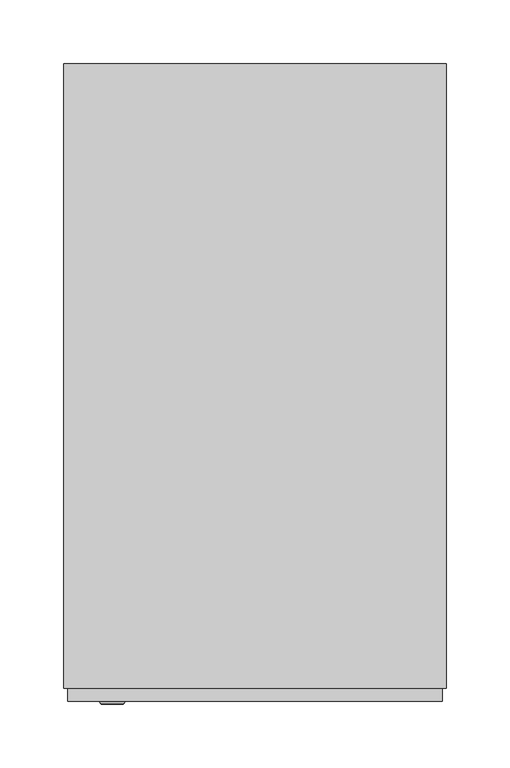
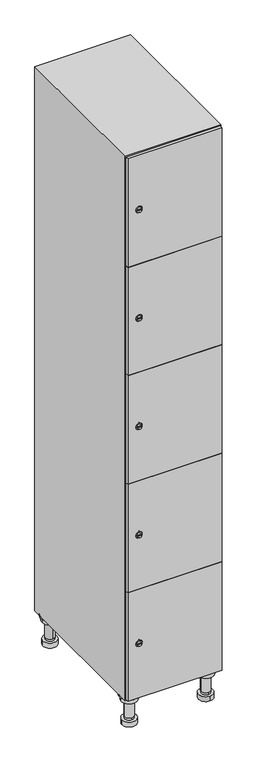
"""IFC4 building model written with IfcOpenShell, lengths in millimetres: furniture geometry."""

from ifc_helpers import new_model, si_unit, point, frame, frame_2d, origin, place, context, project, spatial, polyline, circle_curve, trimmed, segment, composite_curve, outline, extrude, faceted_brep, source, transform, mapped, element, save
from ifc_brep_helpers import plane_surface, cylinder_surface, revolved_surface, advanced_brep


def furniture_307cb127(model_context):
    return source(origin(), model_context, "Body", "SolidModel", [
        advanced_brep(
        [(70.0, -201.0, 22.0), (70.0, -201.5, 16.0), (70.0, -228.5, 16.0), (70.0, -229.0, 22.0), (56.0, -215.0, 22.0), (84.0, -215.0, 22.0), (70.0, -192.5, 16.0), (70.0, -237.5, 16.0), (70.0, -192.5, 0.0), (70.0, -237.5, 0.0), (84.0, -215.0, 78.0), (56.0, -215.0, 78.0), (95.0, -215.0, 78.0), (45.0, -215.0, 78.0), (100.0, -215.0, 94.0), (40.0, -215.0, 94.0), (45.0, -215.0, 94.0), (95.0, -215.0, 94.0), (100.0, -215.0, 100.0), (40.0, -215.0, 100.0)],
        [
            (0, 1),
            (1, 2, circle_curve(frame((70.0, -215.0, 16.0), z_axis=(0.0, 0.0, 1.0), x_axis=(0.0, -1.0, 0.0)), 13.5)),
            (2, 3),
            (3, 4, circle_curve(frame((70.0, -215.0, 22.0), z_axis=(0.0, 0.0, -1.0), x_axis=(0.0, -1.0, 0.0)), 14.0)),
            (4, 0, circle_curve(frame((70.0, -215.0, 22.0), z_axis=(0.0, 0.0, -1.0), x_axis=(0.0, -1.0, 0.0)), 14.0)),
            (0, 5, circle_curve(frame((70.0, -215.0, 22.0), z_axis=(0.0, 0.0, -1.0), x_axis=(0.0, 1.0, 0.0)), 14.0)),
            (5, 3, circle_curve(frame((70.0, -215.0, 22.0), z_axis=(0.0, 0.0, -1.0), x_axis=(0.0, 1.0, 0.0)), 14.0)),
            (2, 1, circle_curve(frame((70.0, -215.0, 16.0), z_axis=(0.0, 0.0, 1.0), x_axis=(0.0, 1.0, 0.0)), 13.5)),
            (6, 7, circle_curve(frame((70.0, -215.0, 16.0), z_axis=(0.0, 0.0, 1.0), x_axis=(0.0, -1.0, 0.0)), 22.5)),
            (7, 6, circle_curve(frame((70.0, -215.0, 16.0), z_axis=(0.0, 0.0, 1.0), x_axis=(0.0, -1.0, 0.0)), 22.5)),
            (8, 9, circle_curve(frame((70.0, -215.0, 0.0), z_axis=(0.0, 0.0, -1.0), x_axis=(0.0, -1.0, 0.0)), 22.5)),
            (9, 8, circle_curve(frame((70.0, -215.0, 0.0), z_axis=(0.0, 0.0, -1.0), x_axis=(0.0, -1.0, 0.0)), 22.5)),
            (6, 8),
            (9, 7),
            (5, 10),
            (10, 11, circle_curve(frame((70.0, -215.0, 78.0), z_axis=(0.0, 0.0, -1.0), x_axis=(-1.0, 0.0, 0.0)), 14.0)),
            (11, 4),
            (11, 10, circle_curve(frame((70.0, -215.0, 78.0), z_axis=(0.0, 0.0, -1.0), x_axis=(-1.0, 0.0, 0.0)), 14.0)),
            (12, 13, circle_curve(frame((70.0, -215.0, 78.0), z_axis=(0.0, 0.0, -1.0), x_axis=(-1.0, 0.0, 0.0)), 25.0)),
            (13, 12, circle_curve(frame((70.0, -215.0, 78.0), z_axis=(0.0, 0.0, -1.0), x_axis=(-1.0, 0.0, 0.0)), 25.0)),
            (14, 15, circle_curve(frame((70.0, -215.0, 94.0), z_axis=(0.0, 0.0, -1.0), x_axis=(-1.0, 0.0, 0.0)), 30.0)),
            (15, 14, circle_curve(frame((70.0, -215.0, 94.0), z_axis=(0.0, 0.0, -1.0), x_axis=(-1.0, 0.0, 0.0)), 30.0)),
            (16, 17, circle_curve(frame((70.0, -215.0, 94.0), z_axis=(0.0, 0.0, 1.0), x_axis=(-1.0, 0.0, 0.0)), 25.0)),
            (17, 16, circle_curve(frame((70.0, -215.0, 94.0), z_axis=(0.0, 0.0, 1.0), x_axis=(-1.0, 0.0, 0.0)), 25.0)),
            (18, 19, circle_curve(frame((70.0, -215.0, 100.0), z_axis=(0.0, 0.0, 1.0), x_axis=(-1.0, 0.0, 0.0)), 30.0)),
            (19, 18, circle_curve(frame((70.0, -215.0, 100.0), z_axis=(0.0, 0.0, 1.0), x_axis=(-1.0, 0.0, 0.0)), 30.0)),
            (14, 18),
            (19, 15),
            (12, 17),
            (16, 13),
        ],
        [
            revolved_surface(polyline([(70.0, -201.5, 16.0), (70.0, -201.0, 22.0)]), (70.0, -215.0, -146.0), (0.0, 0.0, 1.0)),
            plane_surface(frame((70.0, 0.0, 16.0), z_axis=(0.0, 0.0, 1.0), x_axis=(0.0, -1.0, 0.0))),
            plane_surface(frame((70.0, 0.0, 0.0), z_axis=(0.0, 0.0, -1.0), x_axis=(0.0, -1.0, 0.0))),
            cylinder_surface(frame((70.0, -215.0, 16.0), z_axis=(0.0, 0.0, 1.0), x_axis=(0.0, -1.0, 0.0)), 22.5),
            cylinder_surface(frame((70.0, -215.0, 22.0), z_axis=(0.0, 0.0, -1.0), x_axis=(-1.0, 0.0, 0.0)), 14.0),
            plane_surface(frame((70.0, 0.0, 78.0), z_axis=(0.0, 0.0, -1.0), x_axis=(0.0, -1.0, 0.0))),
            plane_surface(frame((70.0, 0.0, 94.0), z_axis=(0.0, 0.0, -1.0), x_axis=(0.0, -1.0, 0.0))),
            plane_surface(frame((70.0, 0.0, 100.0), z_axis=(0.0, 0.0, 1.0), x_axis=(0.0, -1.0, 0.0))),
            cylinder_surface(frame((70.0, -215.0, 94.0), z_axis=(0.0, 0.0, -1.0), x_axis=(-1.0, 0.0, 0.0)), 30.0),
            cylinder_surface(frame((70.0, -215.0, 78.0), z_axis=(0.0, 0.0, -1.0), x_axis=(-1.0, 0.0, 0.0)), 25.0),
        ],
        [
            (0, [[1, 2, 3, 4, 5]]),
            (0, [[-1, 6, 7, -3, 8]]),
            (1, [[9, 10], [-2, -8]]),
            (2, [[11, 12]]),
            (3, [[-9, 13, -12, 14]]),
            (3, [[-10, -14, -11, -13]]),
            (4, [[15, 16, 17, -4, -7]]),
            (4, [[-15, -6, -5, -17, 18]]),
            (5, [[19, 20], [-16, -18]]),
            (6, [[21, 22], [23, 24]]),
            (7, [[25, 26]]),
            (8, [[-21, 27, -26, 28]]),
            (8, [[-22, -28, -25, -27]]),
            (9, [[-19, 29, -23, 30]]),
            (9, [[-20, -30, -24, -29]]),
        ],
    ),
        advanced_brep(
        [(-170.0, -201.0, 22.0), (-170.0, -201.5, 16.0), (-170.0, -228.5, 16.0), (-170.0, -229.0, 22.0), (-184.0, -215.0, 22.0), (-156.0, -215.0, 22.0), (-147.5, -215.0, 0.0), (-192.5, -215.0, 0.0), (-147.5, -215.0, 16.0), (-192.5, -215.0, 16.0), (-156.0, -215.0, 78.0), (-184.0, -215.0, 78.0), (-145.0, -215.0, 78.0), (-195.0, -215.0, 78.0), (-140.0, -215.0, 94.0), (-200.0, -215.0, 94.0), (-195.0, -215.0, 94.0), (-145.0, -215.0, 94.0), (-140.0, -215.0, 100.0), (-200.0, -215.0, 100.0)],
        [
            (0, 1),
            (1, 2, circle_curve(frame((-170.0, -215.0, 16.0), z_axis=(0.0, 0.0, 1.0), x_axis=(0.0, -1.0, 0.0)), 13.5)),
            (2, 3),
            (3, 4, circle_curve(frame((-170.0, -215.0, 22.0), z_axis=(0.0, 0.0, -1.0), x_axis=(0.0, -1.0, 0.0)), 14.0)),
            (4, 0, circle_curve(frame((-170.0, -215.0, 22.0), z_axis=(0.0, 0.0, -1.0), x_axis=(0.0, -1.0, 0.0)), 14.0)),
            (0, 5, circle_curve(frame((-170.0, -215.0, 22.0), z_axis=(0.0, 0.0, -1.0), x_axis=(0.0, 1.0, 0.0)), 14.0)),
            (5, 3, circle_curve(frame((-170.0, -215.0, 22.0), z_axis=(0.0, 0.0, -1.0), x_axis=(0.0, 1.0, 0.0)), 14.0)),
            (2, 1, circle_curve(frame((-170.0, -215.0, 16.0), z_axis=(0.0, 0.0, 1.0), x_axis=(0.0, 1.0, 0.0)), 13.5)),
            (6, 7, circle_curve(frame((-170.0, -215.0, 0.0), z_axis=(0.0, 0.0, -1.0), x_axis=(-1.0, 0.0, 0.0)), 22.5)),
            (7, 6, circle_curve(frame((-170.0, -215.0, 0.0), z_axis=(0.0, 0.0, -1.0), x_axis=(-1.0, 0.0, 0.0)), 22.5)),
            (8, 9, circle_curve(frame((-170.0, -215.0, 16.0), z_axis=(0.0, 0.0, 1.0), x_axis=(-1.0, 0.0, 0.0)), 22.5)),
            (9, 8, circle_curve(frame((-170.0, -215.0, 16.0), z_axis=(0.0, 0.0, 1.0), x_axis=(-1.0, 0.0, 0.0)), 22.5)),
            (6, 8),
            (9, 7),
            (5, 10),
            (10, 11, circle_curve(frame((-170.0, -215.0, 78.0), z_axis=(0.0, 0.0, -1.0), x_axis=(-1.0, 0.0, 0.0)), 14.0)),
            (11, 4),
            (11, 10, circle_curve(frame((-170.0, -215.0, 78.0), z_axis=(0.0, 0.0, -1.0), x_axis=(-1.0, 0.0, 0.0)), 14.0)),
            (12, 13, circle_curve(frame((-170.0, -215.0, 78.0), z_axis=(0.0, 0.0, -1.0), x_axis=(-1.0, 0.0, 0.0)), 25.0)),
            (13, 12, circle_curve(frame((-170.0, -215.0, 78.0), z_axis=(0.0, 0.0, -1.0), x_axis=(-1.0, 0.0, 0.0)), 25.0)),
            (14, 15, circle_curve(frame((-170.0, -215.0, 94.0), z_axis=(0.0, 0.0, -1.0), x_axis=(-1.0, 0.0, 0.0)), 30.0)),
            (15, 14, circle_curve(frame((-170.0, -215.0, 94.0), z_axis=(0.0, 0.0, -1.0), x_axis=(-1.0, 0.0, 0.0)), 30.0)),
            (16, 17, circle_curve(frame((-170.0, -215.0, 94.0), z_axis=(0.0, 0.0, 1.0), x_axis=(-1.0, 0.0, 0.0)), 25.0)),
            (17, 16, circle_curve(frame((-170.0, -215.0, 94.0), z_axis=(0.0, 0.0, 1.0), x_axis=(-1.0, 0.0, 0.0)), 25.0)),
            (18, 19, circle_curve(frame((-170.0, -215.0, 100.0), z_axis=(0.0, 0.0, 1.0), x_axis=(-1.0, 0.0, 0.0)), 30.0)),
            (19, 18, circle_curve(frame((-170.0, -215.0, 100.0), z_axis=(0.0, 0.0, 1.0), x_axis=(-1.0, 0.0, 0.0)), 30.0)),
            (14, 18),
            (19, 15),
            (12, 17),
            (16, 13),
        ],
        [
            revolved_surface(polyline([(-170.0, -201.5, 16.0), (-170.0, -201.0, 22.0)]), (-170.0, -215.0, -146.0), (0.0, 0.0, 1.0)),
            plane_surface(frame((-170.0, 0.0, 0.0), z_axis=(0.0, 0.0, -1.0), x_axis=(0.0, -1.0, 0.0))),
            plane_surface(frame((-170.0, 0.0, 16.0), z_axis=(0.0, 0.0, 1.0), x_axis=(0.0, -1.0, 0.0))),
            cylinder_surface(frame((-170.0, -215.0, 0.0), z_axis=(0.0, 0.0, -1.0), x_axis=(-1.0, 0.0, 0.0)), 22.5),
            cylinder_surface(frame((-170.0, -215.0, 22.0), z_axis=(0.0, 0.0, -1.0), x_axis=(-1.0, 0.0, 0.0)), 14.0),
            plane_surface(frame((-170.0, 0.0, 78.0), z_axis=(0.0, 0.0, -1.0), x_axis=(0.0, -1.0, 0.0))),
            plane_surface(frame((-170.0, 0.0, 94.0), z_axis=(0.0, 0.0, -1.0), x_axis=(0.0, -1.0, 0.0))),
            plane_surface(frame((-170.0, 0.0, 100.0), z_axis=(0.0, 0.0, 1.0), x_axis=(0.0, -1.0, 0.0))),
            cylinder_surface(frame((-170.0, -215.0, 94.0), z_axis=(0.0, 0.0, -1.0), x_axis=(-1.0, 0.0, 0.0)), 30.0),
            cylinder_surface(frame((-170.0, -215.0, 78.0), z_axis=(0.0, 0.0, -1.0), x_axis=(-1.0, 0.0, 0.0)), 25.0),
        ],
        [
            (0, [[1, 2, 3, 4, 5]]),
            (0, [[-1, 6, 7, -3, 8]]),
            (1, [[9, 10]]),
            (2, [[11, 12], [-2, -8]]),
            (3, [[-9, 13, -12, 14]]),
            (3, [[-10, -14, -11, -13]]),
            (4, [[15, 16, 17, -4, -7]]),
            (4, [[-15, -6, -5, -17, 18]]),
            (5, [[19, 20], [-16, -18]]),
            (6, [[21, 22], [23, 24]]),
            (7, [[25, 26]]),
            (8, [[-21, 27, -26, 28]]),
            (8, [[-22, -28, -25, -27]]),
            (9, [[-19, 29, -23, 30]]),
            (9, [[-20, -30, -24, -29]]),
        ],
    ),
        advanced_brep(
        [(83.5, 215.0, 16.0), (84.0, 215.0, 22.0), (56.0, 215.0, 22.0), (56.5, 215.0, 16.0), (92.5, 215.0, 0.0), (47.5, 215.0, 0.0), (92.5, 215.0, 16.0), (47.5, 215.0, 16.0), (84.0, 215.0, 78.0), (56.0, 215.0, 78.0), (95.0, 215.0, 78.0), (45.0, 215.0, 78.0), (100.0, 215.0, 94.0), (40.0, 215.0, 94.0), (45.0, 215.0, 94.0), (95.0, 215.0, 94.0), (100.0, 215.0, 100.0), (40.0, 215.0, 100.0)],
        [
            (0, 1),
            (1, 2, circle_curve(frame((70.0, 215.0, 22.0), z_axis=(0.0, 0.0, -1.0), x_axis=(-1.0, 0.0, 0.0)), 14.0)),
            (2, 3),
            (3, 0, circle_curve(frame((70.0, 215.0, 16.0), z_axis=(0.0, 0.0, 1.0), x_axis=(-1.0, 0.0, 0.0)), 13.5)),
            (0, 3, circle_curve(frame((70.0, 215.0, 16.0), z_axis=(0.0, 0.0, 1.0), x_axis=(1.0, 0.0, 0.0)), 13.5)),
            (2, 1, circle_curve(frame((70.0, 215.0, 22.0), z_axis=(0.0, 0.0, -1.0), x_axis=(1.0, 0.0, 0.0)), 14.0)),
            (4, 5, circle_curve(frame((70.0, 215.0, 0.0), z_axis=(0.0, 0.0, -1.0), x_axis=(-1.0, 0.0, 0.0)), 22.5)),
            (5, 4, circle_curve(frame((70.0, 215.0, 0.0), z_axis=(0.0, 0.0, -1.0), x_axis=(-1.0, 0.0, 0.0)), 22.5)),
            (6, 7, circle_curve(frame((70.0, 215.0, 16.0), z_axis=(0.0, 0.0, 1.0), x_axis=(-1.0, 0.0, 0.0)), 22.5)),
            (7, 6, circle_curve(frame((70.0, 215.0, 16.0), z_axis=(0.0, 0.0, 1.0), x_axis=(-1.0, 0.0, 0.0)), 22.5)),
            (4, 6),
            (7, 5),
            (1, 8),
            (8, 9, circle_curve(frame((70.0, 215.0, 78.0), z_axis=(0.0, 0.0, -1.0), x_axis=(-1.0, 0.0, 0.0)), 14.0)),
            (9, 2),
            (9, 8, circle_curve(frame((70.0, 215.0, 78.0), z_axis=(0.0, 0.0, -1.0), x_axis=(-1.0, 0.0, 0.0)), 14.0)),
            (10, 11, circle_curve(frame((70.0, 215.0, 78.0), z_axis=(0.0, 0.0, -1.0), x_axis=(-1.0, 0.0, 0.0)), 25.0)),
            (11, 10, circle_curve(frame((70.0, 215.0, 78.0), z_axis=(0.0, 0.0, -1.0), x_axis=(-1.0, 0.0, 0.0)), 25.0)),
            (12, 13, circle_curve(frame((70.0, 215.0, 94.0), z_axis=(0.0, 0.0, -1.0), x_axis=(-1.0, 0.0, 0.0)), 30.0)),
            (13, 12, circle_curve(frame((70.0, 215.0, 94.0), z_axis=(0.0, 0.0, -1.0), x_axis=(-1.0, 0.0, 0.0)), 30.0)),
            (14, 15, circle_curve(frame((70.0, 215.0, 94.0), z_axis=(0.0, 0.0, 1.0), x_axis=(-1.0, 0.0, 0.0)), 25.0)),
            (15, 14, circle_curve(frame((70.0, 215.0, 94.0), z_axis=(0.0, 0.0, 1.0), x_axis=(-1.0, 0.0, 0.0)), 25.0)),
            (16, 17, circle_curve(frame((70.0, 215.0, 100.0), z_axis=(0.0, 0.0, 1.0), x_axis=(-1.0, 0.0, 0.0)), 30.0)),
            (17, 16, circle_curve(frame((70.0, 215.0, 100.0), z_axis=(0.0, 0.0, 1.0), x_axis=(-1.0, 0.0, 0.0)), 30.0)),
            (12, 16),
            (17, 13),
            (10, 15),
            (14, 11),
        ],
        [
            revolved_surface(polyline([(83.5, 215.0, 16.0), (84.0, 215.0, 22.0)]), (70.0, 215.0, -146.0), (0.0, 0.0, 1.0)),
            plane_surface(frame((70.0, 0.0, 0.0), z_axis=(0.0, 0.0, -1.0), x_axis=(0.0, -1.0, 0.0))),
            plane_surface(frame((70.0, 0.0, 16.0), z_axis=(0.0, 0.0, 1.0), x_axis=(0.0, -1.0, 0.0))),
            cylinder_surface(frame((70.0, 215.0, 0.0), z_axis=(0.0, 0.0, -1.0), x_axis=(-1.0, 0.0, 0.0)), 22.5),
            cylinder_surface(frame((70.0, 215.0, 22.0), z_axis=(0.0, 0.0, -1.0), x_axis=(-1.0, 0.0, 0.0)), 14.0),
            plane_surface(frame((70.0, 0.0, 78.0), z_axis=(0.0, 0.0, -1.0), x_axis=(0.0, -1.0, 0.0))),
            plane_surface(frame((70.0, 0.0, 94.0), z_axis=(0.0, 0.0, -1.0), x_axis=(0.0, -1.0, 0.0))),
            plane_surface(frame((70.0, 0.0, 100.0), z_axis=(0.0, 0.0, 1.0), x_axis=(0.0, -1.0, 0.0))),
            cylinder_surface(frame((70.0, 215.0, 94.0), z_axis=(0.0, 0.0, -1.0), x_axis=(-1.0, 0.0, 0.0)), 30.0),
            cylinder_surface(frame((70.0, 215.0, 78.0), z_axis=(0.0, 0.0, -1.0), x_axis=(-1.0, 0.0, 0.0)), 25.0),
        ],
        [
            (0, [[1, 2, 3, 4]]),
            (0, [[-1, 5, -3, 6]]),
            (1, [[7, 8]]),
            (2, [[9, 10], [-4, -5]]),
            (3, [[-7, 11, -10, 12]]),
            (3, [[-8, -12, -9, -11]]),
            (4, [[13, 14, 15, -2]]),
            (4, [[-13, -6, -15, 16]]),
            (5, [[17, 18], [-14, -16]]),
            (6, [[19, 20], [21, 22]]),
            (7, [[23, 24]]),
            (8, [[-19, 25, -24, 26]]),
            (8, [[-20, -26, -23, -25]]),
            (9, [[-17, 27, -21, 28]]),
            (9, [[-18, -28, -22, -27]]),
        ],
    ),
        advanced_brep(
        [(-156.5, 215.0, 16.0), (-156.0, 215.0, 22.0), (-170.0, 201.0, 22.0), (-184.0, 215.0, 22.0), (-183.5, 215.0, 16.0), (-170.0, 229.0, 22.0), (-147.5, 215.0, 0.0), (-192.5, 215.0, 0.0), (-147.5, 215.0, 16.0), (-192.5, 215.0, 16.0), (-170.0, 229.0, 78.0), (-170.0, 201.0, 78.0), (-145.0, 215.0, 78.0), (-195.0, 215.0, 78.0), (-140.0, 215.0, 94.0), (-200.0, 215.0, 94.0), (-195.0, 215.0, 94.0), (-145.0, 215.0, 94.0), (-140.0, 215.0, 100.0), (-200.0, 215.0, 100.0)],
        [
            (0, 1),
            (1, 2, circle_curve(frame((-170.0, 215.0, 22.0), z_axis=(0.0, 0.0, -1.0), x_axis=(-1.0, 0.0, 0.0)), 14.0)),
            (2, 3, circle_curve(frame((-170.0, 215.0, 22.0), z_axis=(0.0, 0.0, -1.0), x_axis=(-1.0, 0.0, 0.0)), 14.0)),
            (3, 4),
            (4, 0, circle_curve(frame((-170.0, 215.0, 16.0), z_axis=(0.0, 0.0, 1.0), x_axis=(-1.0, 0.0, 0.0)), 13.5)),
            (0, 4, circle_curve(frame((-170.0, 215.0, 16.0), z_axis=(0.0, 0.0, 1.0), x_axis=(1.0, 0.0, 0.0)), 13.5)),
            (3, 5, circle_curve(frame((-170.0, 215.0, 22.0), z_axis=(0.0, 0.0, -1.0), x_axis=(1.0, 0.0, 0.0)), 14.0)),
            (5, 1, circle_curve(frame((-170.0, 215.0, 22.0), z_axis=(0.0, 0.0, -1.0), x_axis=(1.0, 0.0, 0.0)), 14.0)),
            (6, 7, circle_curve(frame((-170.0, 215.0, 0.0), z_axis=(0.0, 0.0, -1.0), x_axis=(-1.0, 0.0, 0.0)), 22.5)),
            (7, 6, circle_curve(frame((-170.0, 215.0, 0.0), z_axis=(0.0, 0.0, -1.0), x_axis=(-1.0, 0.0, 0.0)), 22.5)),
            (8, 9, circle_curve(frame((-170.0, 215.0, 16.0), z_axis=(0.0, 0.0, 1.0), x_axis=(-1.0, 0.0, 0.0)), 22.5)),
            (9, 8, circle_curve(frame((-170.0, 215.0, 16.0), z_axis=(0.0, 0.0, 1.0), x_axis=(-1.0, 0.0, 0.0)), 22.5)),
            (6, 8),
            (9, 7),
            (10, 5),
            (2, 11),
            (11, 10, circle_curve(frame((-170.0, 215.0, 78.0), z_axis=(0.0, 0.0, -1.0), x_axis=(0.0, -1.0, 0.0)), 14.0)),
            (10, 11, circle_curve(frame((-170.0, 215.0, 78.0), z_axis=(0.0, 0.0, -1.0), x_axis=(0.0, -1.0, 0.0)), 14.0)),
            (12, 13, circle_curve(frame((-170.0, 215.0, 78.0), z_axis=(0.0, 0.0, -1.0), x_axis=(-1.0, 0.0, 0.0)), 25.0)),
            (13, 12, circle_curve(frame((-170.0, 215.0, 78.0), z_axis=(0.0, 0.0, -1.0), x_axis=(-1.0, 0.0, 0.0)), 25.0)),
            (14, 15, circle_curve(frame((-170.0, 215.0, 94.0), z_axis=(0.0, 0.0, -1.0), x_axis=(-1.0, 0.0, 0.0)), 30.0)),
            (15, 14, circle_curve(frame((-170.0, 215.0, 94.0), z_axis=(0.0, 0.0, -1.0), x_axis=(-1.0, 0.0, 0.0)), 30.0)),
            (16, 17, circle_curve(frame((-170.0, 215.0, 94.0), z_axis=(0.0, 0.0, 1.0), x_axis=(-1.0, 0.0, 0.0)), 25.0)),
            (17, 16, circle_curve(frame((-170.0, 215.0, 94.0), z_axis=(0.0, 0.0, 1.0), x_axis=(-1.0, 0.0, 0.0)), 25.0)),
            (18, 19, circle_curve(frame((-170.0, 215.0, 100.0), z_axis=(0.0, 0.0, 1.0), x_axis=(-1.0, 0.0, 0.0)), 30.0)),
            (19, 18, circle_curve(frame((-170.0, 215.0, 100.0), z_axis=(0.0, 0.0, 1.0), x_axis=(-1.0, 0.0, 0.0)), 30.0)),
            (14, 18),
            (19, 15),
            (12, 17),
            (16, 13),
        ],
        [
            revolved_surface(polyline([(-156.5, 215.0, 16.0), (-156.0, 215.0, 22.0)]), (-170.0, 215.0, -146.0), (0.0, 0.0, 1.0)),
            plane_surface(frame((-170.0, 0.0, 0.0), z_axis=(0.0, 0.0, -1.0), x_axis=(0.0, -1.0, 0.0))),
            plane_surface(frame((-170.0, 0.0, 16.0), z_axis=(0.0, 0.0, 1.0), x_axis=(0.0, -1.0, 0.0))),
            cylinder_surface(frame((-170.0, 215.0, 0.0), z_axis=(0.0, 0.0, -1.0), x_axis=(-1.0, 0.0, 0.0)), 22.5),
            cylinder_surface(frame((-170.0, 215.0, 78.0), z_axis=(0.0, 0.0, 1.0), x_axis=(0.0, -1.0, 0.0)), 14.0),
            plane_surface(frame((-170.0, 0.0, 78.0), z_axis=(0.0, 0.0, -1.0), x_axis=(0.0, -1.0, 0.0))),
            plane_surface(frame((-170.0, 0.0, 94.0), z_axis=(0.0, 0.0, -1.0), x_axis=(0.0, -1.0, 0.0))),
            plane_surface(frame((-170.0, 0.0, 100.0), z_axis=(0.0, 0.0, 1.0), x_axis=(0.0, -1.0, 0.0))),
            cylinder_surface(frame((-170.0, 215.0, 94.0), z_axis=(0.0, 0.0, -1.0), x_axis=(-1.0, 0.0, 0.0)), 30.0),
            cylinder_surface(frame((-170.0, 215.0, 78.0), z_axis=(0.0, 0.0, -1.0), x_axis=(-1.0, 0.0, 0.0)), 25.0),
        ],
        [
            (0, [[1, 2, 3, 4, 5]]),
            (0, [[-1, 6, -4, 7, 8]]),
            (1, [[9, 10]]),
            (2, [[11, 12], [-5, -6]]),
            (3, [[-9, 13, -12, 14]]),
            (3, [[-10, -14, -11, -13]]),
            (4, [[15, -7, -3, 16, 17]]),
            (4, [[-15, 18, -16, -2, -8]]),
            (5, [[19, 20], [-17, -18]]),
            (6, [[21, 22], [23, 24]]),
            (7, [[25, 26]]),
            (8, [[-21, 27, -26, 28]]),
            (8, [[-22, -28, -25, -27]]),
            (9, [[-19, 29, -23, 30]]),
            (9, [[-20, -30, -24, -29]]),
        ],
    ),
        extrude(outline(composite_curve([segment(trimmed(circle_curve(frame_2d((282.4, -188.7989466)), 7.0), [point((289.4, -188.7989466))], [point((275.4, -188.7989466))], False, "CARTESIAN"), True, "CONTINUOUS"), segment(polyline([(275.4, -188.7989466), (275.4, -160.7989466)]), True, "CONTINUOUS"), segment(trimmed(circle_curve(frame_2d((282.4, -160.7989466)), 7.0), [point((275.4, -160.7989466))], [point((289.4, -160.7989466))], False, "CARTESIAN"), True, "CONTINUOUS"), segment(polyline([(289.4, -160.7989466), (289.4, -188.7989466)]), True, "CONTINUOUS")], self_intersect=False)), frame((0.0, -245.0, 0.0), z_axis=(0.0, 1.0, 0.0), x_axis=(0.0, 0.0, 1.0)), (0.0, 0.0, 1.0), 2.0),
        advanced_brep(
        [(-153.5, -257.2, 282.4), (-170.5, -257.2, 282.4), (-167.0, -257.2, 281.15), (-167.0, -257.2, 283.65), (-157.0, -257.2, 283.65), (-157.0, -257.2, 281.15), (-151.5, -255.0, 282.4), (-172.5, -255.0, 282.4), (-167.0, -255.0, 283.65), (-167.0, -255.0, 281.15), (-157.0, -255.0, 281.15), (-157.0, -255.0, 283.65)],
        [
            (0, 1, circle_curve(frame((-162.0, -257.2, 282.4), z_axis=(0.0, -1.0, 0.0), x_axis=(1.0, 0.0, 0.0)), 8.5)),
            (1, 0, circle_curve(frame((-162.0, -257.2, 282.4), z_axis=(0.0, -1.0, 0.0), x_axis=(-1.0, 0.0, 0.0)), 8.5)),
            (2, 3),
            (3, 4),
            (4, 5),
            (5, 2),
            (6, 7, circle_curve(frame((-162.0, -255.0, 282.4), z_axis=(0.0, 1.0, 0.0), x_axis=(-1.0, 0.0, 0.0)), 10.5)),
            (7, 6, circle_curve(frame((-162.0, -255.0, 282.4), z_axis=(0.0, 1.0, 0.0), x_axis=(1.0, 0.0, 0.0)), 10.5)),
            (8, 9),
            (9, 10),
            (10, 11),
            (11, 8),
            (0, 6),
            (7, 1),
            (8, 3),
            (2, 9),
            (11, 4),
            (10, 5),
        ],
        [
            plane_surface(frame((-162.0, -257.2, 282.4), z_axis=(0.0, -1.0, 0.0), x_axis=(0.0, 0.0, 1.0))),
            plane_surface(frame((-162.0, -255.0, 282.4), z_axis=(0.0, 1.0, 0.0), x_axis=(0.0, 0.0, 1.0))),
            revolved_surface(polyline([(-153.5, -257.2, 282.4), (-151.5, -255.0, 282.4)]), (-162.0, -266.55, 282.4), (0.0, 1.0, 0.0)),
            revolved_surface(polyline([(-170.5, -257.2, 282.4), (-172.5, -255.0, 282.4)]), (-162.0, -266.55, 282.4), (0.0, 1.0, 0.0)),
            plane_surface(frame((-167.0, -255.0, 281.15), z_axis=(1.0, 0.0, 0.0), x_axis=(0.0, -1.0, 0.0))),
            plane_surface(frame((-167.0, -255.0, 283.65), z_axis=(0.0, 0.0, -1.0), x_axis=(0.0, -1.0, 0.0))),
            plane_surface(frame((-157.0, -255.0, 283.65), z_axis=(-1.0, 0.0, 0.0), x_axis=(0.0, -1.0, 0.0))),
            plane_surface(frame((-157.0, -255.0, 281.15), z_axis=(0.0, 0.0, 1.0), x_axis=(0.0, -1.0, 0.0))),
        ],
        [
            (0, [[1, 2], [3, 4, 5, 6]]),
            (1, [[7, 8], [9, 10, 11, 12]]),
            (2, [[-1, 13, -8, 14]]),
            (3, [[-2, -14, -7, -13]]),
            (4, [[15, -3, 16, -9]]),
            (5, [[-15, -12, 17, -4]]),
            (6, [[-17, -11, 18, -5]]),
            (7, [[-16, -6, -18, -10]]),
        ],
    ),
        extrude(outline(composite_curve([segment(trimmed(circle_curve(frame_2d((641.2, -188.7989466)), 7.0), [point((648.2, -188.7989466))], [point((634.2, -188.7989466))], False, "CARTESIAN"), True, "CONTINUOUS"), segment(polyline([(634.2, -188.7989466), (634.2, -160.7989466)]), True, "CONTINUOUS"), segment(trimmed(circle_curve(frame_2d((641.2, -160.7989466)), 7.0), [point((634.2, -160.7989466))], [point((648.2, -160.7989466))], False, "CARTESIAN"), True, "CONTINUOUS"), segment(polyline([(648.2, -160.7989466), (648.2, -188.7989466)]), True, "CONTINUOUS")], self_intersect=False)), frame((0.0, -245.0, 0.0), z_axis=(0.0, 1.0, 0.0), x_axis=(0.0, 0.0, 1.0)), (0.0, 0.0, 1.0), 2.0),
        advanced_brep(
        [(-153.5, -257.2, 641.2), (-170.5, -257.2, 641.2), (-167.0, -257.2, 639.95), (-167.0, -257.2, 642.45), (-157.0, -257.2, 642.45), (-157.0, -257.2, 639.95), (-151.5, -255.0, 641.2), (-172.5, -255.0, 641.2), (-167.0, -255.0, 642.45), (-167.0, -255.0, 639.95), (-157.0, -255.0, 639.95), (-157.0, -255.0, 642.45)],
        [
            (0, 1, circle_curve(frame((-162.0, -257.2, 641.2), z_axis=(0.0, -1.0, 0.0), x_axis=(1.0, 0.0, 0.0)), 8.5)),
            (1, 0, circle_curve(frame((-162.0, -257.2, 641.2), z_axis=(0.0, -1.0, 0.0), x_axis=(-1.0, 0.0, 0.0)), 8.5)),
            (2, 3),
            (3, 4),
            (4, 5),
            (5, 2),
            (6, 7, circle_curve(frame((-162.0, -255.0, 641.2), z_axis=(0.0, 1.0, 0.0), x_axis=(-1.0, 0.0, 0.0)), 10.5)),
            (7, 6, circle_curve(frame((-162.0, -255.0, 641.2), z_axis=(0.0, 1.0, 0.0), x_axis=(1.0, 0.0, 0.0)), 10.5)),
            (8, 9),
            (9, 10),
            (10, 11),
            (11, 8),
            (0, 6),
            (7, 1),
            (8, 3),
            (2, 9),
            (11, 4),
            (10, 5),
        ],
        [
            plane_surface(frame((-162.0, -257.2, 641.2), z_axis=(0.0, -1.0, 0.0), x_axis=(0.0, 0.0, 1.0))),
            plane_surface(frame((-162.0, -255.0, 641.2), z_axis=(0.0, 1.0, 0.0), x_axis=(0.0, 0.0, 1.0))),
            revolved_surface(polyline([(-153.5, -257.2, 641.2), (-151.5, -255.0, 641.2)]), (-162.0, -266.55, 641.2), (0.0, 1.0, 0.0)),
            revolved_surface(polyline([(-170.5, -257.2, 641.2), (-172.5, -255.0, 641.2)]), (-162.0, -266.55, 641.2), (0.0, 1.0, 0.0)),
            plane_surface(frame((-167.0, -255.0, 639.95), z_axis=(1.0, 0.0, 0.0), x_axis=(0.0, -1.0, 0.0))),
            plane_surface(frame((-167.0, -255.0, 642.45), z_axis=(0.0, 0.0, -1.0), x_axis=(0.0, -1.0, 0.0))),
            plane_surface(frame((-157.0, -255.0, 642.45), z_axis=(-1.0, 0.0, 0.0), x_axis=(0.0, -1.0, 0.0))),
            plane_surface(frame((-157.0, -255.0, 639.95), z_axis=(0.0, 0.0, 1.0), x_axis=(0.0, -1.0, 0.0))),
        ],
        [
            (0, [[1, 2], [3, 4, 5, 6]]),
            (1, [[7, 8], [9, 10, 11, 12]]),
            (2, [[-1, 13, -8, 14]]),
            (3, [[-2, -14, -7, -13]]),
            (4, [[15, -3, 16, -9]]),
            (5, [[-15, -12, 17, -4]]),
            (6, [[-17, -11, 18, -5]]),
            (7, [[-16, -6, -18, -10]]),
        ],
    ),
        extrude(outline(composite_curve([segment(trimmed(circle_curve(frame_2d((1000.0, -188.7989466)), 7.0), [point((1007.0, -188.7989466))], [point((993.0, -188.7989466))], False, "CARTESIAN"), True, "CONTINUOUS"), segment(polyline([(993.0, -188.7989466), (993.0, -160.7989466)]), True, "CONTINUOUS"), segment(trimmed(circle_curve(frame_2d((1000.0, -160.7989466)), 7.0), [point((993.0, -160.7989466))], [point((1007.0, -160.7989466))], False, "CARTESIAN"), True, "CONTINUOUS"), segment(polyline([(1007.0, -160.7989466), (1007.0, -188.7989466)]), True, "CONTINUOUS")], self_intersect=False)), frame((0.0, -245.0, 0.0), z_axis=(0.0, 1.0, 0.0), x_axis=(0.0, 0.0, 1.0)), (0.0, 0.0, 1.0), 2.0),
        advanced_brep(
        [(-153.5, -257.2, 1000.0), (-170.5, -257.2, 1000.0), (-167.0, -257.2, 998.75), (-167.0, -257.2, 1001.25), (-157.0, -257.2, 1001.25), (-157.0, -257.2, 998.75), (-151.5, -255.0, 1000.0), (-172.5, -255.0, 1000.0), (-167.0, -255.0, 1001.25), (-167.0, -255.0, 998.75), (-157.0, -255.0, 998.75), (-157.0, -255.0, 1001.25)],
        [
            (0, 1, circle_curve(frame((-162.0, -257.2, 1000.0), z_axis=(0.0, -1.0, 0.0), x_axis=(1.0, 0.0, 0.0)), 8.5)),
            (1, 0, circle_curve(frame((-162.0, -257.2, 1000.0), z_axis=(0.0, -1.0, 0.0), x_axis=(-1.0, 0.0, 0.0)), 8.5)),
            (2, 3),
            (3, 4),
            (4, 5),
            (5, 2),
            (6, 7, circle_curve(frame((-162.0, -255.0, 1000.0), z_axis=(0.0, 1.0, 0.0), x_axis=(-1.0, 0.0, 0.0)), 10.5)),
            (7, 6, circle_curve(frame((-162.0, -255.0, 1000.0), z_axis=(0.0, 1.0, 0.0), x_axis=(1.0, 0.0, 0.0)), 10.5)),
            (8, 9),
            (9, 10),
            (10, 11),
            (11, 8),
            (0, 6),
            (7, 1),
            (8, 3),
            (2, 9),
            (11, 4),
            (10, 5),
        ],
        [
            plane_surface(frame((-162.0, -257.2, 1000.0), z_axis=(0.0, -1.0, 0.0), x_axis=(0.0, 0.0, 1.0))),
            plane_surface(frame((-162.0, -255.0, 1000.0), z_axis=(0.0, 1.0, 0.0), x_axis=(0.0, 0.0, 1.0))),
            revolved_surface(polyline([(-153.5, -257.2, 1000.0), (-151.5, -255.0, 1000.0)]), (-162.0, -266.55, 1000.0), (0.0, 1.0, 0.0)),
            revolved_surface(polyline([(-170.5, -257.2, 1000.0), (-172.5, -255.0, 1000.0)]), (-162.0, -266.55, 1000.0), (0.0, 1.0, 0.0)),
            plane_surface(frame((-167.0, -255.0, 998.75), z_axis=(1.0, 0.0, 0.0), x_axis=(0.0, -1.0, 0.0))),
            plane_surface(frame((-167.0, -255.0, 1001.25), z_axis=(0.0, 0.0, -1.0), x_axis=(0.0, -1.0, 0.0))),
            plane_surface(frame((-157.0, -255.0, 1001.25), z_axis=(-1.0, 0.0, 0.0), x_axis=(0.0, -1.0, 0.0))),
            plane_surface(frame((-157.0, -255.0, 998.75), z_axis=(0.0, 0.0, 1.0), x_axis=(0.0, -1.0, 0.0))),
        ],
        [
            (0, [[1, 2], [3, 4, 5, 6]]),
            (1, [[7, 8], [9, 10, 11, 12]]),
            (2, [[-1, 13, -8, 14]]),
            (3, [[-2, -14, -7, -13]]),
            (4, [[15, -3, 16, -9]]),
            (5, [[-15, -12, 17, -4]]),
            (6, [[-17, -11, 18, -5]]),
            (7, [[-16, -6, -18, -10]]),
        ],
    ),
        extrude(outline(composite_curve([segment(trimmed(circle_curve(frame_2d((1358.8, -188.7989466)), 7.0), [point((1365.8, -188.7989466))], [point((1351.8, -188.7989466))], False, "CARTESIAN"), True, "CONTINUOUS"), segment(polyline([(1351.8, -188.7989466), (1351.8, -160.7989466)]), True, "CONTINUOUS"), segment(trimmed(circle_curve(frame_2d((1358.8, -160.7989466)), 7.0), [point((1351.8, -160.7989466))], [point((1365.8, -160.7989466))], False, "CARTESIAN"), True, "CONTINUOUS"), segment(polyline([(1365.8, -160.7989466), (1365.8, -188.7989466)]), True, "CONTINUOUS")], self_intersect=False)), frame((0.0, -245.0, 0.0), z_axis=(0.0, 1.0, 0.0), x_axis=(0.0, 0.0, 1.0)), (0.0, 0.0, 1.0), 2.0),
        advanced_brep(
        [(-153.5, -257.2, 1358.8), (-170.5, -257.2, 1358.8), (-167.0, -257.2, 1357.55), (-167.0, -257.2, 1360.05), (-157.0, -257.2, 1360.05), (-157.0, -257.2, 1357.55), (-151.5, -255.0, 1358.8), (-172.5, -255.0, 1358.8), (-167.0, -255.0, 1360.05), (-167.0, -255.0, 1357.55), (-157.0, -255.0, 1357.55), (-157.0, -255.0, 1360.05)],
        [
            (0, 1, circle_curve(frame((-162.0, -257.2, 1358.8), z_axis=(0.0, -1.0, 0.0), x_axis=(1.0, 0.0, 0.0)), 8.5)),
            (1, 0, circle_curve(frame((-162.0, -257.2, 1358.8), z_axis=(0.0, -1.0, 0.0), x_axis=(-1.0, 0.0, 0.0)), 8.5)),
            (2, 3),
            (3, 4),
            (4, 5),
            (5, 2),
            (6, 7, circle_curve(frame((-162.0, -255.0, 1358.8), z_axis=(0.0, 1.0, 0.0), x_axis=(-1.0, 0.0, 0.0)), 10.5)),
            (7, 6, circle_curve(frame((-162.0, -255.0, 1358.8), z_axis=(0.0, 1.0, 0.0), x_axis=(1.0, 0.0, 0.0)), 10.5)),
            (8, 9),
            (9, 10),
            (10, 11),
            (11, 8),
            (0, 6),
            (7, 1),
            (8, 3),
            (2, 9),
            (11, 4),
            (10, 5),
        ],
        [
            plane_surface(frame((-162.0, -257.2, 1358.8), z_axis=(0.0, -1.0, 0.0), x_axis=(0.0, 0.0, 1.0))),
            plane_surface(frame((-162.0, -255.0, 1358.8), z_axis=(0.0, 1.0, 0.0), x_axis=(0.0, 0.0, 1.0))),
            revolved_surface(polyline([(-153.5, -257.2, 1358.8), (-151.5, -255.0, 1358.8)]), (-162.0, -266.55, 1358.8), (0.0, 1.0, 0.0)),
            revolved_surface(polyline([(-170.5, -257.2, 1358.8), (-172.5, -255.0, 1358.8)]), (-162.0, -266.55, 1358.8), (0.0, 1.0, 0.0)),
            plane_surface(frame((-167.0, -255.0, 1357.55), z_axis=(1.0, 0.0, 0.0), x_axis=(0.0, -1.0, 0.0))),
            plane_surface(frame((-167.0, -255.0, 1360.05), z_axis=(0.0, 0.0, -1.0), x_axis=(0.0, -1.0, 0.0))),
            plane_surface(frame((-157.0, -255.0, 1360.05), z_axis=(-1.0, 0.0, 0.0), x_axis=(0.0, -1.0, 0.0))),
            plane_surface(frame((-157.0, -255.0, 1357.55), z_axis=(0.0, 0.0, 1.0), x_axis=(0.0, -1.0, 0.0))),
        ],
        [
            (0, [[1, 2], [3, 4, 5, 6]]),
            (1, [[7, 8], [9, 10, 11, 12]]),
            (2, [[-1, 13, -8, 14]]),
            (3, [[-2, -14, -7, -13]]),
            (4, [[15, -3, 16, -9]]),
            (5, [[-15, -12, 17, -4]]),
            (6, [[-17, -11, 18, -5]]),
            (7, [[-16, -6, -18, -10]]),
        ],
    ),
        extrude(outline(composite_curve([segment(trimmed(circle_curve(frame_2d((1717.6, -188.7989466)), 7.0), [point((1724.6, -188.7989466))], [point((1710.6, -188.7989466))], False, "CARTESIAN"), True, "CONTINUOUS"), segment(polyline([(1710.6, -188.7989466), (1710.6, -160.7989466)]), True, "CONTINUOUS"), segment(trimmed(circle_curve(frame_2d((1717.6, -160.7989466)), 7.0), [point((1710.6, -160.7989466))], [point((1724.6, -160.7989466))], False, "CARTESIAN"), True, "CONTINUOUS"), segment(polyline([(1724.6, -160.7989466), (1724.6, -188.7989466)]), True, "CONTINUOUS")], self_intersect=False)), frame((0.0, -245.0, 0.0), z_axis=(0.0, 1.0, 0.0), x_axis=(0.0, 0.0, 1.0)), (0.0, 0.0, 1.0), 2.0),
        advanced_brep(
        [(-153.5, -257.2, 1717.6), (-170.5, -257.2, 1717.6), (-167.0, -257.2, 1716.35), (-167.0, -257.2, 1718.85), (-157.0, -257.2, 1718.85), (-157.0, -257.2, 1716.35), (-151.5, -255.0, 1717.6), (-172.5, -255.0, 1717.6), (-167.0, -255.0, 1718.85), (-167.0, -255.0, 1716.35), (-157.0, -255.0, 1716.35), (-157.0, -255.0, 1718.85)],
        [
            (0, 1, circle_curve(frame((-162.0, -257.2, 1717.6), z_axis=(0.0, -1.0, 0.0), x_axis=(1.0, 0.0, 0.0)), 8.5)),
            (1, 0, circle_curve(frame((-162.0, -257.2, 1717.6), z_axis=(0.0, -1.0, 0.0), x_axis=(-1.0, 0.0, 0.0)), 8.5)),
            (2, 3),
            (3, 4),
            (4, 5),
            (5, 2),
            (6, 7, circle_curve(frame((-162.0, -255.0, 1717.6), z_axis=(0.0, 1.0, 0.0), x_axis=(-1.0, 0.0, 0.0)), 10.5)),
            (7, 6, circle_curve(frame((-162.0, -255.0, 1717.6), z_axis=(0.0, 1.0, 0.0), x_axis=(1.0, 0.0, 0.0)), 10.5)),
            (8, 9),
            (9, 10),
            (10, 11),
            (11, 8),
            (0, 6),
            (7, 1),
            (8, 3),
            (2, 9),
            (11, 4),
            (10, 5),
        ],
        [
            plane_surface(frame((-162.0, -257.2, 1717.6), z_axis=(0.0, -1.0, 0.0), x_axis=(0.0, 0.0, 1.0))),
            plane_surface(frame((-162.0, -255.0, 1717.6), z_axis=(0.0, 1.0, 0.0), x_axis=(0.0, 0.0, 1.0))),
            revolved_surface(polyline([(-153.5, -257.2, 1717.6), (-151.5, -255.0, 1717.6)]), (-162.0, -266.55, 1717.6), (0.0, 1.0, 0.0)),
            revolved_surface(polyline([(-170.5, -257.2, 1717.6), (-172.5, -255.0, 1717.6)]), (-162.0, -266.55, 1717.6), (0.0, 1.0, 0.0)),
            plane_surface(frame((-167.0, -255.0, 1716.35), z_axis=(1.0, 0.0, 0.0), x_axis=(0.0, -1.0, 0.0))),
            plane_surface(frame((-167.0, -255.0, 1718.85), z_axis=(0.0, 0.0, -1.0), x_axis=(0.0, -1.0, 0.0))),
            plane_surface(frame((-157.0, -255.0, 1718.85), z_axis=(-1.0, 0.0, 0.0), x_axis=(0.0, -1.0, 0.0))),
            plane_surface(frame((-157.0, -255.0, 1716.35), z_axis=(0.0, 0.0, 1.0), x_axis=(0.0, -1.0, 0.0))),
        ],
        [
            (0, [[1, 2], [3, 4, 5, 6]]),
            (1, [[7, 8], [9, 10, 11, 12]]),
            (2, [[-1, 13, -8, 14]]),
            (3, [[-2, -14, -7, -13]]),
            (4, [[15, -3, 16, -9]]),
            (5, [[-15, -12, 17, -4]]),
            (6, [[-17, -11, 18, -5]]),
            (7, [[-16, -6, -18, -10]]),
        ],
    ),
        extrude(outline(polyline([(97.0, -245.0), (97.0, -255.0), (-197.0, -255.0), (-197.0, -245.0), (97.0, -245.0)])), frame((0.0, 0.0, 820.1), z_axis=(0.0, 0.0, 1.0), x_axis=(1.0, 0.0, 0.0)), (0.0, 0.0, 1.0), 359.8),
        extrude(outline(polyline([(97.0, -245.0), (97.0, -255.0), (-197.0, -255.0), (-197.0, -245.0), (97.0, -245.0)])), frame((0.0, 0.0, 461.3), z_axis=(0.0, 0.0, 1.0), x_axis=(1.0, 0.0, 0.0)), (0.0, 0.0, 1.0), 359.8),
        extrude(outline(polyline([(97.0, -245.0), (97.0, -255.0), (-197.0, -255.0), (-197.0, -245.0), (97.0, -245.0)])), frame((0.0, 0.0, 1178.9), z_axis=(0.0, 0.0, 1.0), x_axis=(1.0, 0.0, 0.0)), (0.0, 0.0, 1.0), 358.8),
        extrude(outline(polyline([(-197.0, -255.0), (-197.0, -245.0), (97.0, -245.0), (97.0, -255.0), (-197.0, -255.0)])), frame((0.0, 0.0, 1538.7), z_axis=(0.0, 0.0, 1.0), x_axis=(1.0, 0.0, 0.0)), (0.0, 0.0, 1.0), 358.3),
        extrude(outline(polyline([(97.0, -245.0), (97.0, -255.0), (-197.0, -255.0), (-197.0, -245.0), (97.0, -245.0)])), frame((0.0, 0.0, 103.0), z_axis=(0.0, 0.0, 1.0), x_axis=(1.0, 0.0, 0.0)), (0.0, 0.0, 1.0), 359.3),
        extrude(outline(polyline([(90.0, 241.0), (90.0, -235.0), (-190.0, -235.0), (-190.0, 241.0), (90.0, 241.0)])), frame((0.0, 0.0, 1529.0), z_axis=(0.0, 0.0, 1.0), x_axis=(1.0, 0.0, 0.0)), (0.0, 0.0, 1.0), 10.0),
        extrude(outline(polyline([(90.0, 241.0), (90.0, -235.0), (-190.0, -235.0), (-190.0, 241.0), (90.0, 241.0)])), frame((0.0, 0.0, 1173.0), z_axis=(0.0, 0.0, 1.0), x_axis=(1.0, 0.0, 0.0)), (0.0, 0.0, 1.0), 10.0),
        extrude(outline(polyline([(90.0, 241.0), (90.0, -235.0), (-190.0, -235.0), (-190.0, 241.0), (90.0, 241.0)])), frame((0.0, 0.0, 817.0), z_axis=(0.0, 0.0, 1.0), x_axis=(1.0, 0.0, 0.0)), (0.0, 0.0, 1.0), 10.0),
        extrude(outline(polyline([(-190.0, 241.0), (90.0, 241.0), (90.0, -235.0), (-190.0, -235.0), (-190.0, 241.0)])), frame((0.0, 0.0, 461.0), z_axis=(0.0, 0.0, 1.0), x_axis=(1.0, 0.0, 0.0)), (0.0, 0.0, 1.0), 10.0),
        faceted_brep([(100.0, -245.0, 100.0), (100.0, -245.0, 1900.0), (-200.0, -245.0, 1900.0), (-200.0, -245.0, 100.0), (90.0, -245.0, 1890.0), (90.0, -245.0, 110.0), (-190.0, -245.0, 110.0), (-190.0, -245.0, 1890.0), (100.0, 245.0, 100.0), (-200.0, 245.0, 100.0), (100.0, 245.0, 1900.0), (-200.0, 245.0, 1900.0), (90.0, 241.0, 1890.0), (90.0, 241.0, 110.0), (-200.0, 245.0, 1890.0), (-190.0, 241.0, 1890.0), (-190.0, 241.0, 110.0)], [[[0, 1, 2, 3], [4, 5, 6, 7]], [[8, 0, 3, 9]], [[1, 0, 8, 10]], [[1, 10, 11, 2]], [[4, 12, 13, 5]], [[9, 3, 2, 11, 14]], [[10, 8, 9, 14, 11]], [[12, 15, 16, 13]], [[15, 7, 6, 16]], [[4, 7, 15, 12]], [[6, 5, 13, 16]]]),
    ])


if __name__ == "__main__":
    model = new_model("IFC4")
    model_context = context("Model", 3, world=origin())
    ifc_project = project(units=[si_unit("LENGTHUNIT", "METRE", prefix="MILLI")], contexts=[model_context])
    site = spatial("IfcSite", under=ifc_project)
    building = spatial("IfcBuilding", under=site)
    placement = place(None, origin())
    furniture_shape = furniture_307cb127(model_context)
    element("IfcFurniture", 1, at=placement, inside=building, context=model_context, shape_type="MappedRepresentation", body=[
        mapped(furniture_shape, transform((0.0, 0.0, 0.0), x_axis=(1.0, 0.0, 0.0), y_axis=(0.0, 1.0, 0.0), z_axis=(0.0, 0.0, 1.0))),
    ])
    save(model, "model.ifc")
